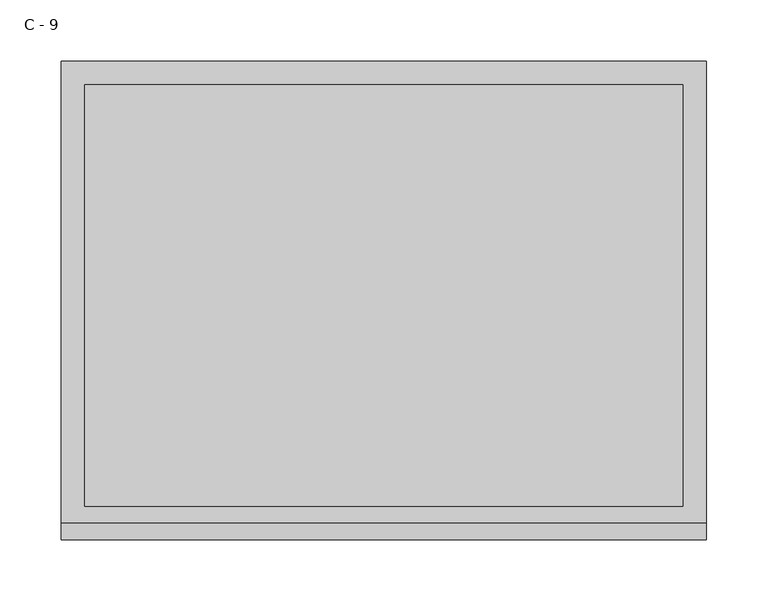
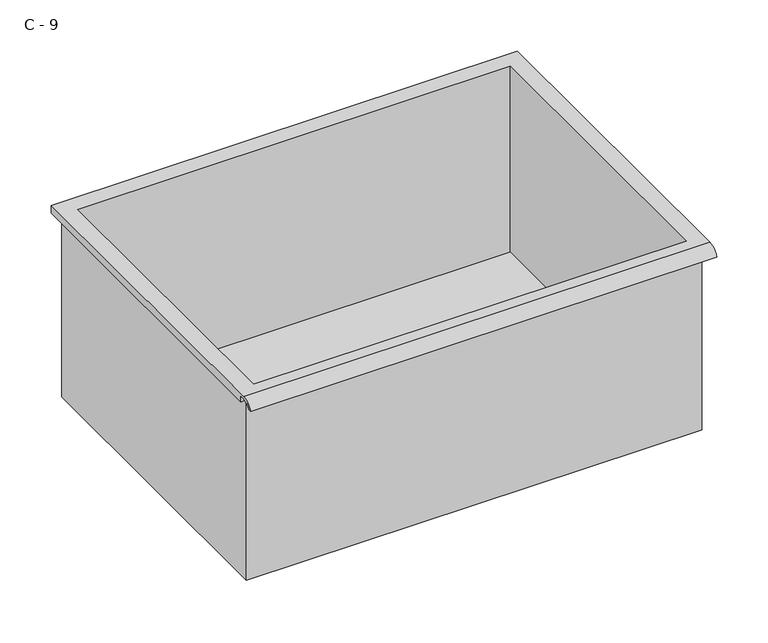
"""IFC4 building model written with IfcOpenShell, lengths in millimetres: furniture geometry, C - 9."""

from ifc_helpers import new_model, si_unit, frame, origin, place, context, project, spatial, polyline, circle_curve, source, transform, mapped, element, save
from ifc_brep_helpers import plane_surface, cylinder_surface, revolved_surface, advanced_brep


def c_9_12ab0da0(model_context):
    return source(origin(), model_context, "Body", "AdvancedBrep", [
        advanced_brep(
        [(-257.1076517, -176.2125, 341.22614), (257.2423483, -176.2125, 341.22614), (257.2423483, -176.2125, 557.12614), (263.5923483, -176.2125, 557.12614), (263.5923483, -176.2125, 563.4332741), (-263.4576517, -176.2125, 563.4332741), (-263.4576517, -176.2125, 557.12614), (-257.1076517, -176.2125, 557.12614), (257.2423483, 185.7375, 341.22614), (-257.1076517, 185.7375, 341.22614), (-257.1076517, 185.7375, 557.12614), (257.2423483, 185.7375, 557.12614), (263.5923483, -181.6070544, 566.65114), (263.5923483, 195.2625, 566.65114), (-263.4576517, 195.2625, 566.65114), (-263.4576517, -181.6070544, 566.65114), (244.5423483, -168.275, 566.65114), (-244.4076517, -168.275, 566.65114), (-244.4076517, 176.2125, 566.65114), (244.5423483, 176.2125, 566.65114), (263.5923483, -195.2625, 557.12614), (263.5923483, -191.8280601, 557.12614), (263.5923483, -180.4714815, 563.4332741), (263.5923483, 195.2625, 557.12614), (-263.4576517, 195.2625, 557.12614), (-263.4576517, -180.4714815, 563.4332741), (-263.4576517, -191.8280601, 557.12614), (-263.4576517, -195.2625, 557.12614), (-244.4076517, -168.275, 344.2523119), (244.5423483, -168.275, 344.2523119), (244.5423483, 176.2125, 344.2523119), (-244.4076517, 176.2125, 344.2523119)],
        [
            (0, 1),
            (1, 2),
            (2, 3),
            (3, 4),
            (4, 5),
            (5, 6),
            (6, 7),
            (7, 0),
            (8, 9),
            (9, 10),
            (10, 11),
            (11, 8),
            (0, 9),
            (8, 1),
            (11, 2),
            (12, 13),
            (13, 14),
            (14, 15),
            (15, 12),
            (16, 17),
            (17, 18),
            (18, 19),
            (19, 16),
            (7, 10),
            (12, 20, circle_curve(frame((263.5923483, -181.6070544, 552.1001259), z_axis=(1.0, 0.0, 0.0), x_axis=(0.0, 1.0, 0.0)), 14.5510141)),
            (20, 21),
            (21, 22, circle_curve(frame((263.5923483, -181.6070544, 552.1001259), z_axis=(-1.0, 0.0, 0.0), x_axis=(0.0, 1.0, 0.0)), 11.3898979)),
            (22, 4),
            (3, 23),
            (23, 13),
            (14, 24),
            (24, 6),
            (5, 25),
            (25, 26, circle_curve(frame((-263.4576517, -181.6070544, 552.1001259), z_axis=(1.0, 0.0, 0.0), x_axis=(0.0, 1.0, 0.0)), 11.3898979)),
            (26, 27),
            (27, 15, circle_curve(frame((-263.4576517, -181.6070544, 552.1001259), z_axis=(-1.0, 0.0, 0.0), x_axis=(0.0, 1.0, 0.0)), 14.5510141)),
            (27, 20),
            (26, 21),
            (25, 22),
            (24, 23),
            (28, 29),
            (29, 30),
            (30, 31),
            (31, 28),
            (28, 17),
            (16, 29),
            (19, 30),
            (18, 31),
        ],
        [
            plane_surface(frame((257.2423483, -176.2125, 341.22614), z_axis=(0.0, -1.0, 0.0), x_axis=(1.0, 0.0, 0.0))),
            plane_surface(frame((257.2423483, 185.7375, 341.22614), z_axis=(0.0, 1.0, 0.0), x_axis=(-1.0, 0.0, 0.0))),
            plane_surface(frame((-257.1076517, -176.2125, 341.22614), z_axis=(0.0, 0.0, -1.0), x_axis=(0.0, 1.0, 0.0))),
            plane_surface(frame((257.2423483, -176.2125, 341.22614), z_axis=(1.0, 0.0, 0.0), x_axis=(0.0, 1.0, 0.0))),
            plane_surface(frame((257.2423483, -176.2125, 566.65114), z_axis=(0.0, 0.0, 1.0), x_axis=(0.0, 1.0, 0.0))),
            plane_surface(frame((-257.1076517, -176.2125, 566.65114), z_axis=(-1.0, 0.0, 0.0), x_axis=(0.0, 1.0, 0.0))),
            plane_surface(frame((263.5923483, 195.2625, 566.65114), z_axis=(1.0, 0.0, 0.0), x_axis=(0.0, -1.0, 0.0))),
            plane_surface(frame((-263.4576517, 195.2625, 566.65114), z_axis=(-1.0, 0.0, 0.0), x_axis=(0.0, 1.0, 0.0))),
            cylinder_surface(frame((-263.4576517, -181.6070544, 552.1001259), z_axis=(1.0, 0.0, 0.0), x_axis=(0.0, 1.0, 0.0)), 14.5510141),
            plane_surface(frame((263.5923483, -195.2625, 557.12614), z_axis=(0.0, -7.212409108515612e-12, -1.0), x_axis=(-1.0, 0.0, 0.0))),
            revolved_surface(polyline([(-263.4576517, -170.21715650000002, 552.1001259), (263.59234829999997, -170.21715650000002, 552.1001259)]), (-263.4576517, -181.6070544, 552.1001259), (-1.0, 0.0, 0.0)),
            plane_surface(frame((263.5923483, -180.4714815, 563.4332741), z_axis=(0.0, -1.7861410264178152e-11, -1.0), x_axis=(-1.0, 0.0, 0.0))),
            plane_surface(frame((263.5923483, -176.2125, 557.12614), z_axis=(0.0, 0.0, -1.0), x_axis=(-1.0, 0.0, 0.0))),
            plane_surface(frame((263.5923483, 195.2625, 557.12614), z_axis=(0.0, 1.0, 0.0), x_axis=(-1.0, 0.0, 0.0))),
            plane_surface(frame((244.5423483, -168.275, 344.2523119), z_axis=(0.0, 0.0, 1.0), x_axis=(-1.0, 0.0, 0.0))),
            plane_surface(frame((-244.4076517, -168.275, 566.65114), z_axis=(0.0, 1.0, 0.0), x_axis=(0.0, 0.0, -1.0))),
            plane_surface(frame((244.5423483, -168.275, 566.65114), z_axis=(-1.0, 0.0, 0.0), x_axis=(0.0, 0.0, -1.0))),
            plane_surface(frame((244.5423483, 176.2125, 566.65114), z_axis=(0.0, -1.0, 0.0), x_axis=(0.0, 0.0, -1.0))),
            plane_surface(frame((-244.4076517, 176.2125, 566.65114), z_axis=(1.0, 0.0, 0.0), x_axis=(0.0, 0.0, -1.0))),
        ],
        [
            (0, [[1, 2, 3, 4, 5, 6, 7, 8]]),
            (1, [[9, 10, 11, 12]]),
            (2, [[-1, 13, -9, 14]]),
            (3, [[-14, -12, 15, -2]]),
            (4, [[16, 17, 18, 19], [20, 21, 22, 23]]),
            (5, [[-13, -8, 24, -10]]),
            (6, [[-16, 25, 26, 27, 28, -4, 29, 30]]),
            (7, [[31, 32, -6, 33, 34, 35, 36, -18]]),
            (8, [[-25, -19, -36, 37]]),
            (9, [[-26, -37, -35, 38]]),
            (10, [[-27, -38, -34, 39]]),
            (11, [[-28, -39, -33, -5]]),
            (12, [[-29, -3, -15, -11, -24, -7, -32, 40]]),
            (13, [[-30, -40, -31, -17]]),
            (14, [[41, 42, 43, 44]]),
            (15, [[-41, 45, -20, 46]]),
            (16, [[-42, -46, -23, 47]]),
            (17, [[-43, -47, -22, 48]]),
            (18, [[-44, -48, -21, -45]]),
        ],
    ),
    ])


if __name__ == "__main__":
    model = new_model("IFC4")
    model_context = context("Model", 3, world=origin())
    ifc_project = project(units=[si_unit("LENGTHUNIT", "METRE", prefix="MILLI")], contexts=[model_context])
    site = spatial("IfcSite", under=ifc_project)
    building = spatial("IfcBuilding", under=site)
    placement = place(None, origin())
    c_9_shape = c_9_12ab0da0(model_context)
    element("IfcFurniture", 1, ObjectType="C - 9", at=placement, inside=building, context=model_context, shape_type="MappedRepresentation", body=[
        mapped(c_9_shape, transform((0.0, 0.0, 0.0), x_axis=(1.0, 0.0, 0.0), y_axis=(0.0, 1.0, 0.0), z_axis=(0.0, 0.0, 1.0))),
    ])
    save(model, "model.ifc")
